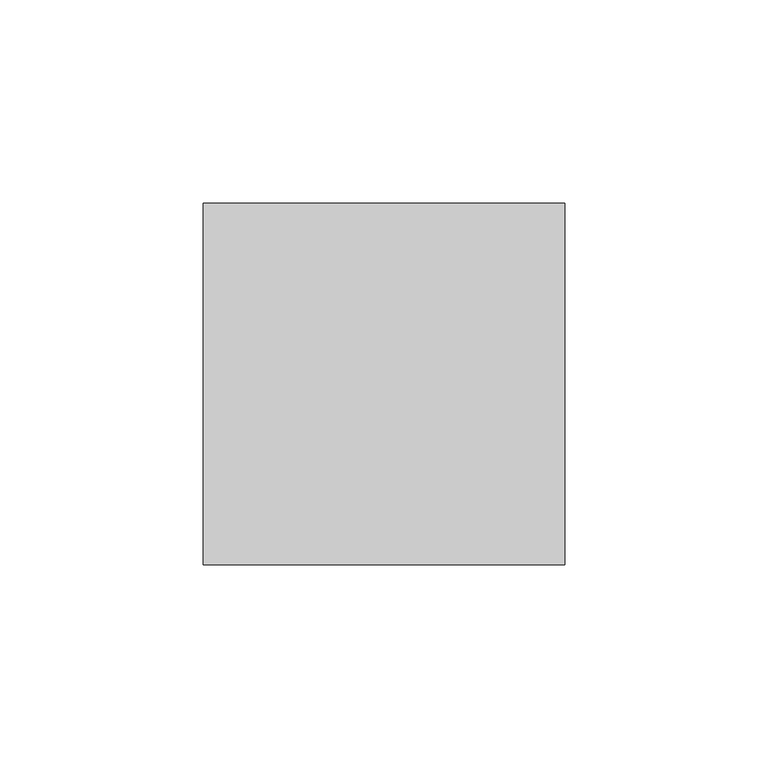
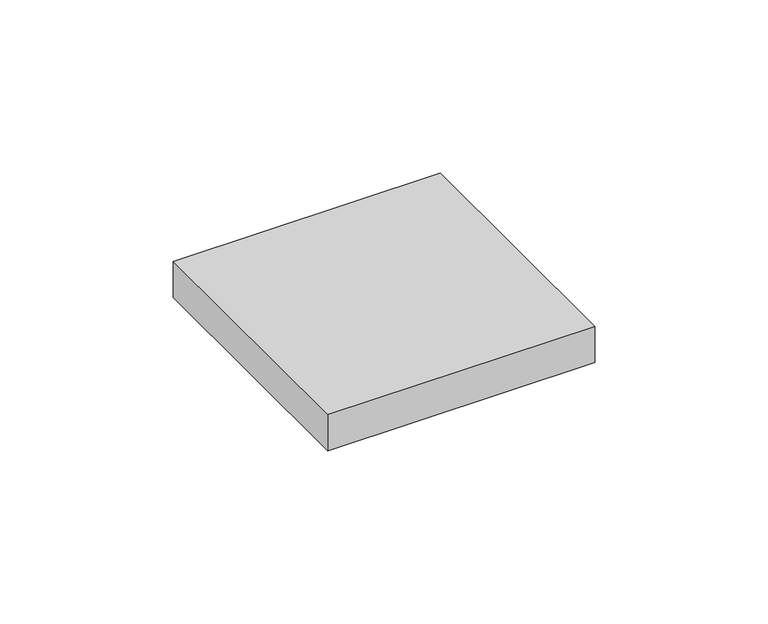
"""IFC4 building model written with IfcOpenShell, lengths in millimetres: furniture geometry."""

from ifc_helpers import new_model, si_unit, frame, origin, place, context, project, spatial, polyline, outline, extrude, source, transform, mapped, element, save


def furniture_eccb192c(model_context):
    return source(origin(), model_context, "Body", "SweptSolid", [
        extrude(outline(polyline([(-360.78795, 38.7477), (-271.88795, 38.7477), (-271.88795, -50.1523), (-360.78795, -50.1523), (-360.78795, 38.7477)])), frame((0.0, 0.0, 965.2), z_axis=(0.0, 0.0, 1.0), x_axis=(1.0, 0.0, 0.0)), (0.0, 0.0, 1.0), 12.7),
    ])


if __name__ == "__main__":
    model = new_model("IFC4")
    model_context = context("Model", 3, world=origin())
    ifc_project = project(units=[si_unit("LENGTHUNIT", "METRE", prefix="MILLI")], contexts=[model_context])
    site = spatial("IfcSite", under=ifc_project)
    building = spatial("IfcBuilding", under=site)
    placement = place(None, origin())
    furniture_shape = furniture_eccb192c(model_context)
    element("IfcFurniture", 1, at=placement, inside=building, context=model_context, shape_type="MappedRepresentation", body=[
        mapped(furniture_shape, transform((0.0, 0.0, 0.0), x_axis=(1.0, 0.0, 0.0), y_axis=(0.0, 1.0, 0.0), z_axis=(0.0, 0.0, 1.0))),
    ])
    save(model, "model.ifc")
